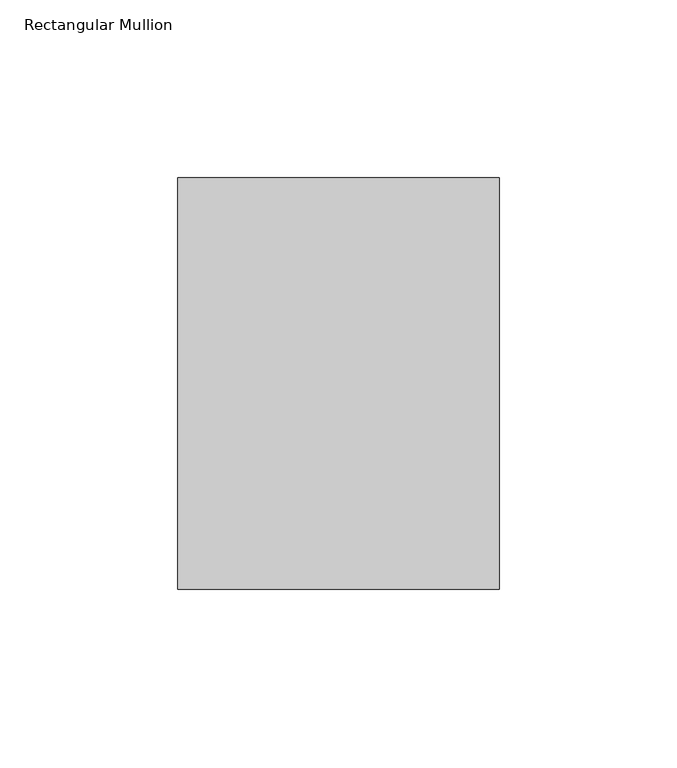
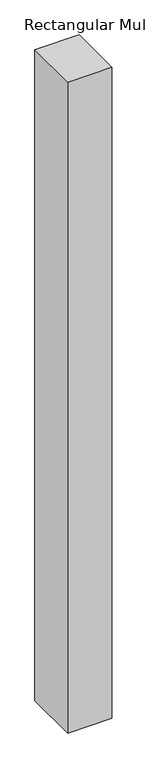
"""IFC4 building model written with IfcOpenShell, lengths in millimetres: member geometry, Rectangular Mullion."""

from ifc_helpers import new_model, si_unit, frame, origin, place, context, project, spatial, polyline, outline, extrude, source, transform, mapped, element, save


def rectangular_mullion_8336695e(model_context):
    return source(origin(), model_context, "Body", "SweptSolid", [
        extrude(outline(polyline([(45.24375, -89.69375), (-45.24375, -89.69375), (-45.24375, 26.19375), (45.24375, 26.19375), (45.24375, -89.69375)])), frame((0.0, 0.0, -1408.90625), z_axis=(0.0, 0.0, 1.0), x_axis=(1.0, 0.0, 0.0)), (0.0, 0.0, 1.0), 1408.90625),
    ])


if __name__ == "__main__":
    model = new_model("IFC4")
    model_context = context("Model", 3, world=origin())
    ifc_project = project(units=[si_unit("LENGTHUNIT", "METRE", prefix="MILLI")], contexts=[model_context])
    site = spatial("IfcSite", under=ifc_project)
    building = spatial("IfcBuilding", under=site)
    placement = place(None, origin())
    rectangular_mullion_shape = rectangular_mullion_8336695e(model_context)
    element("IfcMember", 1, ObjectType="Rectangular Mullion", at=placement, inside=building, context=model_context, shape_type="MappedRepresentation", body=[
        mapped(rectangular_mullion_shape, transform((0.0, 0.0, 0.0), x_axis=(1.0, 0.0, 0.0), y_axis=(0.0, 1.0, 0.0), z_axis=(0.0, 0.0, 1.0))),
    ])
    save(model, "model.ifc")
